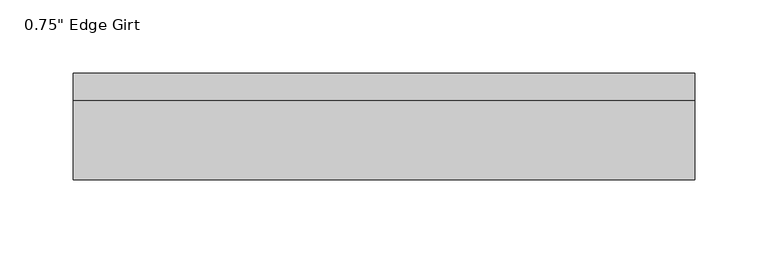
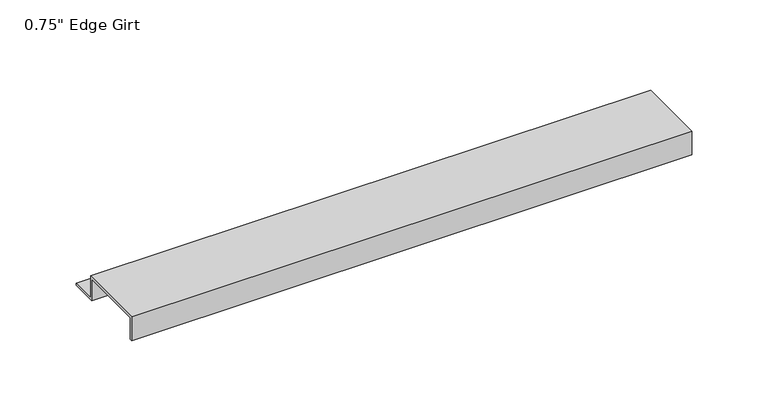
"""IFC4 building model written with IfcOpenShell, lengths in millimetres: proxy geometry."""

import ifcopenshell
import ifcopenshell.guid

model = None  # the IFC model being written
_history = None  # IfcOwnerHistory: only IFC2X3 demands one
_inside = {}  # id of a spatial element -> (the spatial element, [elements in it])
_under = {}  # id of a project, library or spatial element -> (it, [spatial elements below it])
_declared = {}  # id of a project -> (the project, [libraries it declares])
_typed = {}  # id of a type object -> (the type object, [elements of that type])
_made_of = {}  # id of a material, layer set ... -> (it, [elements and type objects made of it])


def new_model(schema):
    """Start an empty IFC model of exactly this schema.

    Asked for "IFC4X3", IfcOpenShell would pick the latest addendum, in which some entities
    have other attributes; the version numbers below select the first issue.
    IFC2X3 requires an IfcOwnerHistory on every rooted entity: one is made here for all.
    """
    global model, _history
    if schema == "IFC4X3":
        model = ifcopenshell.file(schema_version=(4, 3, 0, 0))
    else:
        model = ifcopenshell.file(schema=schema)
    _inside.clear()
    _under.clear()
    _declared.clear()
    _typed.clear()
    _made_of.clear()
    _history = None
    if model.schema == "IFC2X3":
        org = make("IfcOrganization", Name="unknown")
        user = make(
            "IfcPersonAndOrganization",
            ThePerson=make("IfcPerson", FamilyName="unknown"),
            TheOrganization=org,
        )
        app = make(
            "IfcApplication",
            ApplicationDeveloper=org,
            Version="unknown",
            ApplicationFullName="unknown",
            ApplicationIdentifier="unknown",
        )
        _history = make(
            "IfcOwnerHistory",
            OwningUser=user,
            OwningApplication=app,
            ChangeAction="ADDED",
            CreationDate=0,
        )
    return model


def make(cls, **values):
    """One entity of the class cls with the attributes given. An attribute that is None is left unset."""
    return model.create_entity(
        cls, **{name: value for name, value in values.items() if value is not None}
    )


def rooted(cls, **values):
    """An entity with a GlobalId (a new one), such as an element, a storey or a relation."""
    return make(cls, GlobalId=ifcopenshell.guid.new(), OwnerHistory=_history, **values)


def si_unit(unit_type, name, prefix=None):
    """IfcSIUnit, for example si_unit("LENGTHUNIT", "METRE", prefix="MILLI")."""
    return make("IfcSIUnit", UnitType=unit_type, Prefix=prefix, Name=name)


def assignment(units):
    """IfcUnitAssignment: the units of a project."""
    return None if units is None else make("IfcUnitAssignment", Units=units)


def point(xyz):
    """IfcCartesianPoint."""
    return None if xyz is None else make("IfcCartesianPoint", Coordinates=xyz)


def direction(xyz):
    """IfcDirection."""
    return None if xyz is None else make("IfcDirection", DirectionRatios=xyz)


def frame(location, z_axis=None, x_axis=None):
    """IfcAxis2Placement3D, a coordinate frame: its origin and axes. An axis left out is left unset."""
    return make(
        "IfcAxis2Placement3D",
        Location=point(location),
        Axis=direction(z_axis),
        RefDirection=direction(x_axis),
    )


def origin():
    """The frame at (0, 0, 0) with its axes left unset."""
    return frame((0.0, 0.0, 0.0))


def place(relative_to, where):
    """IfcLocalPlacement: puts the frame where relative to a parent placement (None: the world)."""
    return make(
        "IfcLocalPlacement", PlacementRelTo=relative_to, RelativePlacement=where
    )


def context(
    kind, dimensions, precision=None, world=None, true_north=None, identifier=None
):
    """IfcGeometricRepresentationContext, for example the 3D "Model" context."""
    return make(
        "IfcGeometricRepresentationContext",
        ContextIdentifier=identifier,
        ContextType=kind,
        CoordinateSpaceDimension=dimensions,
        Precision=precision,
        WorldCoordinateSystem=world,
        TrueNorth=true_north,
    )


def project(units=None, contexts=None):
    """IfcProject with its units and contexts."""
    return rooted(
        "IfcProject",
        Name="project",
        RepresentationContexts=contexts,
        UnitsInContext=assignment(units),
    )


def spatial(cls, under=None, at=None, **own):
    """A site, building, storey or space (cls), placed at a placement, below another one or the project."""
    s = rooted(cls, ObjectPlacement=at, **own)
    if under is not None:
        _under.setdefault(under.id(), (under, []))[1].append(s)
    return s


def polyline(points):
    """IfcPolyline through the points."""
    return make("IfcPolyline", Points=[point(p) for p in points])


def outline(outer, holes=None, kind="AREA"):
    """IfcArbitraryClosedProfileDef: a profile drawn as a closed curve; with holes, ...WithVoids."""
    if holes is None:
        return make("IfcArbitraryClosedProfileDef", ProfileType=kind, OuterCurve=outer)
    return make(
        "IfcArbitraryProfileDefWithVoids",
        ProfileType=kind,
        OuterCurve=outer,
        InnerCurves=holes,
    )


def extrude(swept, where, along, depth):
    """IfcExtrudedAreaSolid: the profile swept, set in the frame where, extruded along a direction by depth."""
    return make(
        "IfcExtrudedAreaSolid",
        SweptArea=swept,
        Position=where,
        ExtrudedDirection=direction(along),
        Depth=depth,
    )


def shape(context_of_items, identifier, shape_type, items):
    """IfcShapeRepresentation: the items that make up one representation, for example the "Body"."""
    return make(
        "IfcShapeRepresentation",
        ContextOfItems=context_of_items,
        RepresentationIdentifier=identifier,
        RepresentationType=shape_type,
        Items=items,
    )


def source(mapping_origin, context_of_items, identifier, shape_type, items):
    """IfcRepresentationMap: a shape defined once, which mapped items show again and again."""
    return make(
        "IfcRepresentationMap",
        MappingOrigin=mapping_origin,
        MappedRepresentation=shape(context_of_items, identifier, shape_type, items),
    )


def transform(
    local_origin,
    x_axis=None,
    y_axis=None,
    z_axis=None,
    scale=None,
    scale2=None,
    scale3=None,
    uniform=True,
):
    """IfcCartesianTransformationOperator3D, or its non-uniform kind. x_axis, y_axis, z_axis: its Axis1, 2, 3."""
    if uniform:
        return make(
            "IfcCartesianTransformationOperator3D",
            Axis1=direction(x_axis),
            Axis2=direction(y_axis),
            LocalOrigin=point(local_origin),
            Scale=scale,
            Axis3=direction(z_axis),
        )
    return make(
        "IfcCartesianTransformationOperator3DnonUniform",
        Axis1=direction(x_axis),
        Axis2=direction(y_axis),
        LocalOrigin=point(local_origin),
        Scale=scale,
        Axis3=direction(z_axis),
        Scale2=scale2,
        Scale3=scale3,
    )


def mapped(mapping_source, mapping_target):
    """IfcMappedItem: shows the shape of a source again, moved by a transform."""
    return make(
        "IfcMappedItem", MappingSource=mapping_source, MappingTarget=mapping_target
    )


def made_of(thing, what):
    """Note that an element or type object is made of a material, layer set ...; save() writes the relation."""
    if what is not None:
        _made_of.setdefault(what.id(), (what, []))[1].append(thing)
    return thing


def element(
    cls,
    number,
    at=None,
    inside=None,
    cuts=None,
    type_object=None,
    material=None,
    context=None,
    identifier="Body",
    shape_type=None,
    held_by="IfcProductDefinitionShape",
    body=None,
    shapes=None,
    **own,
):
    """One element of the class cls, such as IfcWall. Its Tag is "e" and its number.

    at: its placement. inside: the storey or other place that contains it. cuts: it is an
    opening in that element (IfcRelVoidsElement). A single representation is given by context,
    identifier, shape_type and body (its items); several are given by shapes. held_by: the class
    of the entity that holds the representations. save() writes the other relations.
    """
    e = rooted(cls, Tag="e%d" % number, ObjectPlacement=at, **own)
    if body is not None:
        shapes = [shape(context, identifier, shape_type, body)]
    if shapes is not None:
        e.Representation = make(held_by, Representations=shapes)
    if inside is not None:
        _inside.setdefault(inside.id(), (inside, []))[1].append(e)
    if cuts is not None:
        rooted(
            "IfcRelVoidsElement", RelatingBuildingElement=cuts, RelatedOpeningElement=e
        )
    if type_object is not None:
        _typed.setdefault(type_object.id(), (type_object, []))[1].append(e)
    return made_of(e, material)


def aggregate(whole, parts):
    """IfcRelAggregates: a whole, such as a stair, and the parts it consists of."""
    return rooted("IfcRelAggregates", RelatingObject=whole, RelatedObjects=parts)


def save(model, path):
    """Write the relations noted so far, then the file.

    IfcRelAggregates (storeys below a building ...), IfcRelContainedInSpatialStructure (elements
    in a storey), IfcRelDefinesByType, IfcRelAssociatesMaterial and IfcRelDeclares: one each for
    every whole, place, type object, material and project.
    """
    for whole, parts in _under.values():
        aggregate(whole, parts)
    for where, things in _inside.values():
        rooted(
            "IfcRelContainedInSpatialStructure",
            RelatedElements=things,
            RelatingStructure=where,
        )
    for kind, things in _typed.values():
        rooted("IfcRelDefinesByType", RelatedObjects=things, RelatingType=kind)
    for what, things in _made_of.values():
        rooted("IfcRelAssociatesMaterial", RelatedObjects=things, RelatingMaterial=what)
    for by, libraries in _declared.values():
        rooted("IfcRelDeclares", RelatingContext=by, RelatedDefinitions=libraries)
    model.write(path)


def proxy_11815003(model_context):
    return source(origin(), model_context, "Body", "SweptSolid", [
        extrude(outline(polyline([(46.0559645, -17.4375), (25.4, -17.4375), (25.4, 0.0), (-25.4, 0.0), (-25.4, -17.4375), (-27.0129, -17.4375), (-27.0129, 1.6129), (27.0129, 1.6129), (27.0129, -15.8242), (46.0559645, -15.8242), (46.0559645, -17.4375)])), frame((0.0, 0.0, 0.0), z_axis=(1.0, 0.0, 0.0), x_axis=(0.0, 1.0, 0.0)), (0.0, 0.0, 1.0), 425.3761418),
    ])


if __name__ == "__main__":
    model = new_model("IFC4")
    model_context = context("Model", 3, world=origin())
    ifc_project = project(units=[si_unit("LENGTHUNIT", "METRE", prefix="MILLI")], contexts=[model_context])
    site = spatial("IfcSite", under=ifc_project)
    building = spatial("IfcBuilding", under=site)
    placement = place(None, origin())
    proxy_shape = proxy_11815003(model_context)
    element("IfcBuildingElementProxy", 1, Name="0.75\" Edge Girt", ObjectType="0.75\" Edge Girt", at=placement, inside=building, context=model_context, shape_type="MappedRepresentation", body=[
        mapped(proxy_shape, transform((0.0, 0.0, 0.0), x_axis=(1.0, 0.0, 0.0), y_axis=(0.0, 1.0, 0.0), z_axis=(0.0, 0.0, 1.0))),
    ])
    save(model, "model.ifc")
